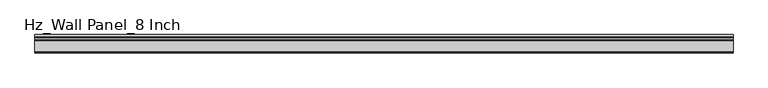
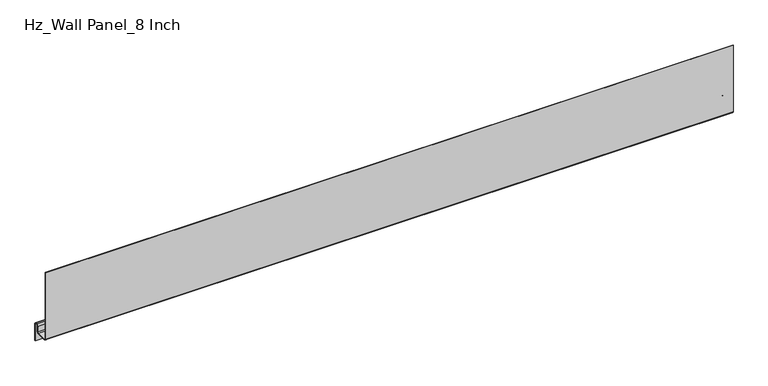
"""IFC4 building model written with IfcOpenShell, lengths in millimetres: plate geometry, Hz_Wall Panel_8 Inch."""

from ifc_helpers import new_model, si_unit, point, frame, frame_2d, origin, place, context, project, spatial, polyline, circle_curve, trimmed, segment, composite_curve, outline, extrude, source, transform, mapped, element, save


def hz_wall_panel_8_inch_b9ae83c4(model_context):
    return source(origin(), model_context, "Body", "SweptSolid", [
        extrude(outline(composite_curve([segment(trimmed(circle_curve(frame_2d((-34.70689, 3.29311)), 3.29311), [point((-34.70689, 0.0))], [point((-38.0, 3.29311))], False, "CARTESIAN"), True, "CONTINUOUS"), segment(polyline([(-38.0, 3.29311), (-38.0, 151.6), (-37.2, 151.6), (-37.2, 3.29311)]), True, "CONTINUOUS"), segment(trimmed(circle_curve(frame_2d((-34.70689, 3.29311)), 2.49311), [point((-37.2, 3.29311))], [point((-34.70689, 0.8))], True, "CARTESIAN"), True, "CONTINUOUS"), segment(polyline([(-34.70689, 0.8), (-12.38547, 0.8)]), True, "CONTINUOUS"), segment(trimmed(circle_curve(frame_2d((-12.38547, 3.175)), 2.375), [point((-12.38547, 0.8))], [point((-10.01047, 3.175))], True, "CARTESIAN"), True, "CONTINUOUS"), segment(polyline([(-10.01047, 3.175), (-10.01047, 14.707235)]), True, "CONTINUOUS"), segment(trimmed(circle_curve(frame_2d((-6.03547, 14.707235)), 3.975), [point((-10.01047, 14.707235))], [point((-6.03547, 18.682235))], False, "CARTESIAN"), True, "CONTINUOUS"), segment(polyline([(-6.03547, 18.682235), (-3.975, 18.682235)]), True, "CONTINUOUS"), segment(trimmed(circle_curve(frame_2d((-3.975, 14.707235)), 3.975), [point((-3.975, 18.682235))], [point((0.0, 14.707235))], False, "CARTESIAN"), True, "CONTINUOUS"), segment(polyline([(0.0, 14.707235), (0.0, -22.4567442), (-0.8, -22.4567442), (-0.8, 14.707235)]), True, "CONTINUOUS"), segment(trimmed(circle_curve(frame_2d((-3.975, 14.707235)), 3.175), [point((-0.8, 14.707235))], [point((-3.975, 17.882235))], True, "CARTESIAN"), True, "CONTINUOUS"), segment(polyline([(-3.975, 17.882235), (-6.03547, 17.882235)]), True, "CONTINUOUS"), segment(trimmed(circle_curve(frame_2d((-6.03547, 14.707235)), 3.175), [point((-6.03547, 17.882235))], [point((-9.21047, 14.707235))], True, "CARTESIAN"), True, "CONTINUOUS"), segment(polyline([(-9.21047, 14.707235), (-9.21047, 3.175)]), True, "CONTINUOUS"), segment(trimmed(circle_curve(frame_2d((-12.38547, 3.175)), 3.175), [point((-9.21047, 3.175))], [point((-12.38547, 0.0))], False, "CARTESIAN"), True, "CONTINUOUS"), segment(polyline([(-12.38547, 0.0), (-34.70689, 0.0)]), True, "CONTINUOUS")], self_intersect=False)), frame((-723.9042608, 0.0, 0.0), z_axis=(1.0, 0.0, 0.0), x_axis=(0.0, 1.0, 0.0)), (0.0, 0.0, 1.0), 1447.8085217),
    ])


if __name__ == "__main__":
    model = new_model("IFC4")
    model_context = context("Model", 3, world=origin())
    ifc_project = project(units=[si_unit("LENGTHUNIT", "METRE", prefix="MILLI")], contexts=[model_context])
    site = spatial("IfcSite", under=ifc_project)
    building = spatial("IfcBuilding", under=site)
    placement = place(None, origin())
    hz_wall_panel_8_inch_shape = hz_wall_panel_8_inch_b9ae83c4(model_context)
    element("IfcPlate", 1, ObjectType="Hz_Wall Panel_8 Inch", at=placement, inside=building, context=model_context, shape_type="MappedRepresentation", body=[
        mapped(hz_wall_panel_8_inch_shape, transform((0.0, 0.0, 0.0), x_axis=(1.0, 0.0, 0.0), y_axis=(0.0, 1.0, 0.0), z_axis=(0.0, 0.0, 1.0))),
    ])
    save(model, "model.ifc")
